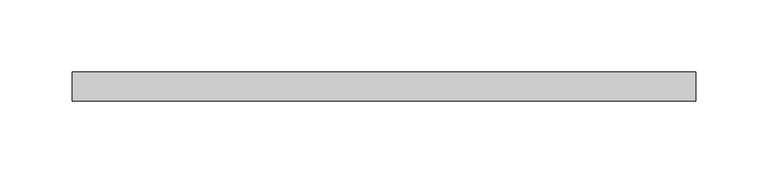
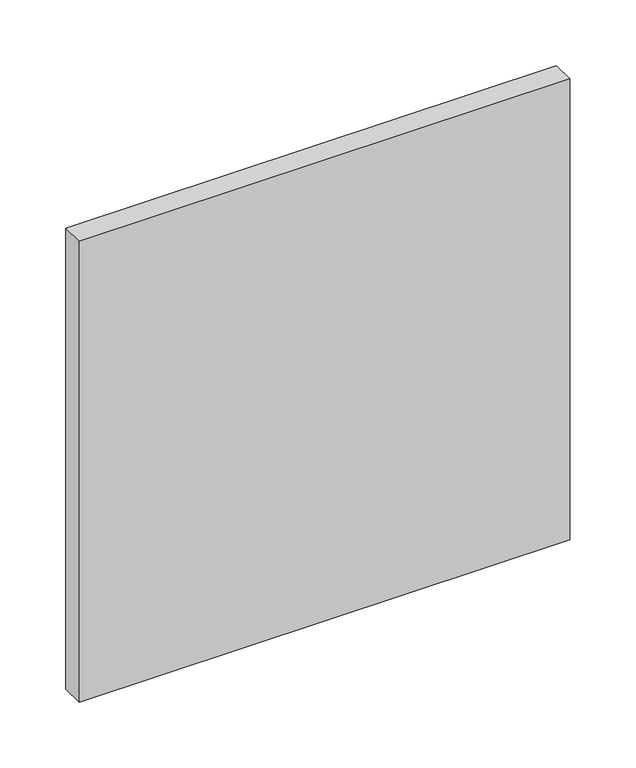
"""IFC4 building model written with IfcOpenShell, lengths in millimetres: plate geometry."""

from ifc_helpers import new_model, si_unit, origin, origin_with_axes, place, context, project, spatial, polyline, outline, extrude, source, transform, mapped, element, save


def plate_46333de6(model_context):
    return source(origin(), model_context, "Body", "SweptSolid", [
        extrude(outline(polyline([(214.8913043, 70.0), (-214.8913043, 70.0), (-214.8913043, 90.0), (214.8913043, 90.0), (214.8913043, 70.0)])), origin_with_axes(), (0.0, 0.0, 1.0), 426.6624409),
    ])


if __name__ == "__main__":
    model = new_model("IFC4")
    model_context = context("Model", 3, world=origin())
    ifc_project = project(units=[si_unit("LENGTHUNIT", "METRE", prefix="MILLI")], contexts=[model_context])
    site = spatial("IfcSite", under=ifc_project)
    building = spatial("IfcBuilding", under=site)
    placement = place(None, origin())
    plate_shape = plate_46333de6(model_context)
    element("IfcPlate", 1, at=placement, inside=building, context=model_context, shape_type="MappedRepresentation", body=[
        mapped(plate_shape, transform((0.0, 0.0, 0.0), x_axis=(1.0, 0.0, 0.0), y_axis=(0.0, 1.0, 0.0), z_axis=(0.0, 0.0, 1.0))),
    ])
    save(model, "model.ifc")
